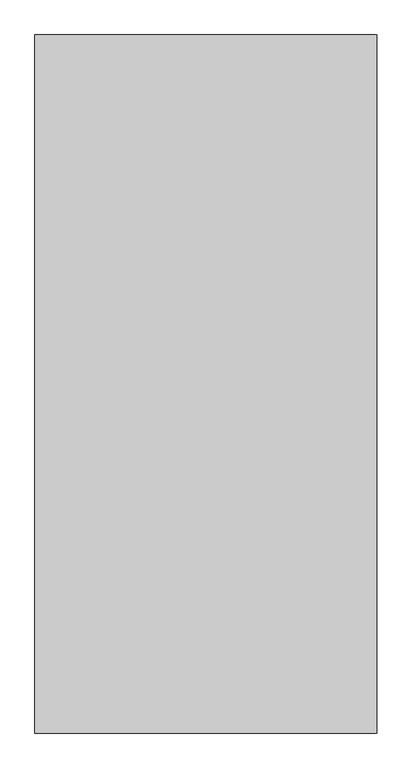
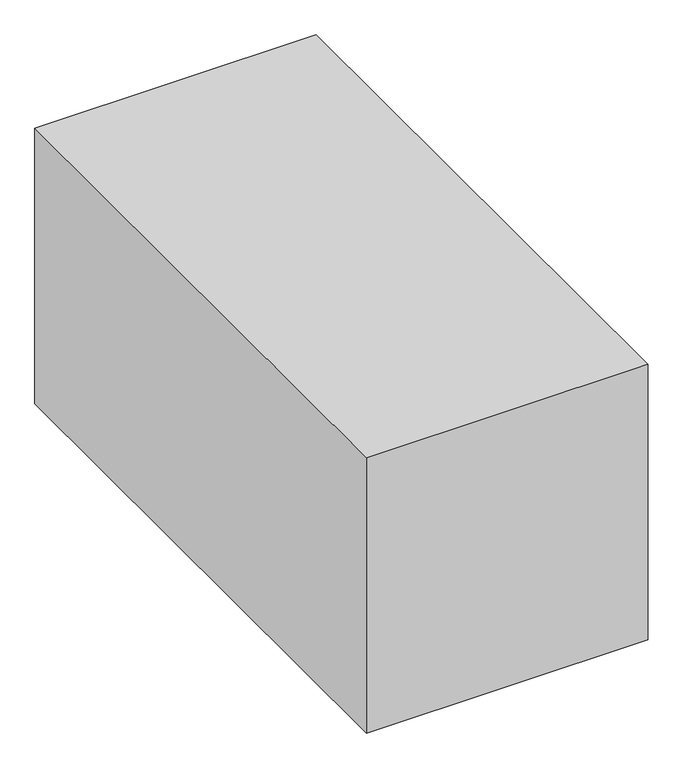
"""IFC4 building model written with IfcOpenShell, lengths in millimetres: proxy geometry."""

import ifcopenshell
import ifcopenshell.guid

model = None  # the IFC model being written
_history = None  # IfcOwnerHistory: only IFC2X3 demands one
_inside = {}  # id of a spatial element -> (the spatial element, [elements in it])
_under = {}  # id of a project, library or spatial element -> (it, [spatial elements below it])
_declared = {}  # id of a project -> (the project, [libraries it declares])
_typed = {}  # id of a type object -> (the type object, [elements of that type])
_made_of = {}  # id of a material, layer set ... -> (it, [elements and type objects made of it])


def new_model(schema):
    """Start an empty IFC model of exactly this schema.

    Asked for "IFC4X3", IfcOpenShell would pick the latest addendum, in which some entities
    have other attributes; the version numbers below select the first issue.
    IFC2X3 requires an IfcOwnerHistory on every rooted entity: one is made here for all.
    """
    global model, _history
    if schema == "IFC4X3":
        model = ifcopenshell.file(schema_version=(4, 3, 0, 0))
    else:
        model = ifcopenshell.file(schema=schema)
    _inside.clear()
    _under.clear()
    _declared.clear()
    _typed.clear()
    _made_of.clear()
    _history = None
    if model.schema == "IFC2X3":
        org = make("IfcOrganization", Name="unknown")
        user = make(
            "IfcPersonAndOrganization",
            ThePerson=make("IfcPerson", FamilyName="unknown"),
            TheOrganization=org,
        )
        app = make(
            "IfcApplication",
            ApplicationDeveloper=org,
            Version="unknown",
            ApplicationFullName="unknown",
            ApplicationIdentifier="unknown",
        )
        _history = make(
            "IfcOwnerHistory",
            OwningUser=user,
            OwningApplication=app,
            ChangeAction="ADDED",
            CreationDate=0,
        )
    return model


def make(cls, **values):
    """One entity of the class cls with the attributes given. An attribute that is None is left unset."""
    return model.create_entity(
        cls, **{name: value for name, value in values.items() if value is not None}
    )


def rooted(cls, **values):
    """An entity with a GlobalId (a new one), such as an element, a storey or a relation."""
    return make(cls, GlobalId=ifcopenshell.guid.new(), OwnerHistory=_history, **values)


def si_unit(unit_type, name, prefix=None):
    """IfcSIUnit, for example si_unit("LENGTHUNIT", "METRE", prefix="MILLI")."""
    return make("IfcSIUnit", UnitType=unit_type, Prefix=prefix, Name=name)


def assignment(units):
    """IfcUnitAssignment: the units of a project."""
    return None if units is None else make("IfcUnitAssignment", Units=units)


def point(xyz):
    """IfcCartesianPoint."""
    return None if xyz is None else make("IfcCartesianPoint", Coordinates=xyz)


def direction(xyz):
    """IfcDirection."""
    return None if xyz is None else make("IfcDirection", DirectionRatios=xyz)


def frame(location, z_axis=None, x_axis=None):
    """IfcAxis2Placement3D, a coordinate frame: its origin and axes. An axis left out is left unset."""
    return make(
        "IfcAxis2Placement3D",
        Location=point(location),
        Axis=direction(z_axis),
        RefDirection=direction(x_axis),
    )


def origin():
    """The frame at (0, 0, 0) with its axes left unset."""
    return frame((0.0, 0.0, 0.0))


def place(relative_to, where):
    """IfcLocalPlacement: puts the frame where relative to a parent placement (None: the world)."""
    return make(
        "IfcLocalPlacement", PlacementRelTo=relative_to, RelativePlacement=where
    )


def context(
    kind, dimensions, precision=None, world=None, true_north=None, identifier=None
):
    """IfcGeometricRepresentationContext, for example the 3D "Model" context."""
    return make(
        "IfcGeometricRepresentationContext",
        ContextIdentifier=identifier,
        ContextType=kind,
        CoordinateSpaceDimension=dimensions,
        Precision=precision,
        WorldCoordinateSystem=world,
        TrueNorth=true_north,
    )


def project(units=None, contexts=None):
    """IfcProject with its units and contexts."""
    return rooted(
        "IfcProject",
        Name="project",
        RepresentationContexts=contexts,
        UnitsInContext=assignment(units),
    )


def spatial(cls, under=None, at=None, **own):
    """A site, building, storey or space (cls), placed at a placement, below another one or the project."""
    s = rooted(cls, ObjectPlacement=at, **own)
    if under is not None:
        _under.setdefault(under.id(), (under, []))[1].append(s)
    return s


def polyline(points):
    """IfcPolyline through the points."""
    return make("IfcPolyline", Points=[point(p) for p in points])


def outline(outer, holes=None, kind="AREA"):
    """IfcArbitraryClosedProfileDef: a profile drawn as a closed curve; with holes, ...WithVoids."""
    if holes is None:
        return make("IfcArbitraryClosedProfileDef", ProfileType=kind, OuterCurve=outer)
    return make(
        "IfcArbitraryProfileDefWithVoids",
        ProfileType=kind,
        OuterCurve=outer,
        InnerCurves=holes,
    )


def extrude(swept, where, along, depth):
    """IfcExtrudedAreaSolid: the profile swept, set in the frame where, extruded along a direction by depth."""
    return make(
        "IfcExtrudedAreaSolid",
        SweptArea=swept,
        Position=where,
        ExtrudedDirection=direction(along),
        Depth=depth,
    )


def shape(context_of_items, identifier, shape_type, items):
    """IfcShapeRepresentation: the items that make up one representation, for example the "Body"."""
    return make(
        "IfcShapeRepresentation",
        ContextOfItems=context_of_items,
        RepresentationIdentifier=identifier,
        RepresentationType=shape_type,
        Items=items,
    )


def source(mapping_origin, context_of_items, identifier, shape_type, items):
    """IfcRepresentationMap: a shape defined once, which mapped items show again and again."""
    return make(
        "IfcRepresentationMap",
        MappingOrigin=mapping_origin,
        MappedRepresentation=shape(context_of_items, identifier, shape_type, items),
    )


def transform(
    local_origin,
    x_axis=None,
    y_axis=None,
    z_axis=None,
    scale=None,
    scale2=None,
    scale3=None,
    uniform=True,
):
    """IfcCartesianTransformationOperator3D, or its non-uniform kind. x_axis, y_axis, z_axis: its Axis1, 2, 3."""
    if uniform:
        return make(
            "IfcCartesianTransformationOperator3D",
            Axis1=direction(x_axis),
            Axis2=direction(y_axis),
            LocalOrigin=point(local_origin),
            Scale=scale,
            Axis3=direction(z_axis),
        )
    return make(
        "IfcCartesianTransformationOperator3DnonUniform",
        Axis1=direction(x_axis),
        Axis2=direction(y_axis),
        LocalOrigin=point(local_origin),
        Scale=scale,
        Axis3=direction(z_axis),
        Scale2=scale2,
        Scale3=scale3,
    )


def mapped(mapping_source, mapping_target):
    """IfcMappedItem: shows the shape of a source again, moved by a transform."""
    return make(
        "IfcMappedItem", MappingSource=mapping_source, MappingTarget=mapping_target
    )


def made_of(thing, what):
    """Note that an element or type object is made of a material, layer set ...; save() writes the relation."""
    if what is not None:
        _made_of.setdefault(what.id(), (what, []))[1].append(thing)
    return thing


def element(
    cls,
    number,
    at=None,
    inside=None,
    cuts=None,
    type_object=None,
    material=None,
    context=None,
    identifier="Body",
    shape_type=None,
    held_by="IfcProductDefinitionShape",
    body=None,
    shapes=None,
    **own,
):
    """One element of the class cls, such as IfcWall. Its Tag is "e" and its number.

    at: its placement. inside: the storey or other place that contains it. cuts: it is an
    opening in that element (IfcRelVoidsElement). A single representation is given by context,
    identifier, shape_type and body (its items); several are given by shapes. held_by: the class
    of the entity that holds the representations. save() writes the other relations.
    """
    e = rooted(cls, Tag="e%d" % number, ObjectPlacement=at, **own)
    if body is not None:
        shapes = [shape(context, identifier, shape_type, body)]
    if shapes is not None:
        e.Representation = make(held_by, Representations=shapes)
    if inside is not None:
        _inside.setdefault(inside.id(), (inside, []))[1].append(e)
    if cuts is not None:
        rooted(
            "IfcRelVoidsElement", RelatingBuildingElement=cuts, RelatedOpeningElement=e
        )
    if type_object is not None:
        _typed.setdefault(type_object.id(), (type_object, []))[1].append(e)
    return made_of(e, material)


def aggregate(whole, parts):
    """IfcRelAggregates: a whole, such as a stair, and the parts it consists of."""
    return rooted("IfcRelAggregates", RelatingObject=whole, RelatedObjects=parts)


def save(model, path):
    """Write the relations noted so far, then the file.

    IfcRelAggregates (storeys below a building ...), IfcRelContainedInSpatialStructure (elements
    in a storey), IfcRelDefinesByType, IfcRelAssociatesMaterial and IfcRelDeclares: one each for
    every whole, place, type object, material and project.
    """
    for whole, parts in _under.values():
        aggregate(whole, parts)
    for where, things in _inside.values():
        rooted(
            "IfcRelContainedInSpatialStructure",
            RelatedElements=things,
            RelatingStructure=where,
        )
    for kind, things in _typed.values():
        rooted("IfcRelDefinesByType", RelatedObjects=things, RelatingType=kind)
    for what, things in _made_of.values():
        rooted("IfcRelAssociatesMaterial", RelatedObjects=things, RelatingMaterial=what)
    for by, libraries in _declared.values():
        rooted("IfcRelDeclares", RelatingContext=by, RelatedDefinitions=libraries)
    model.write(path)


def generic_models_c7e0f95d(model_context):
    return source(origin(), model_context, "Body", "SweptSolid", [
        extrude(outline(polyline([(-9909.9588645, 17389.9468889), (-9909.9588645, 16389.9468889), (-10399.9588645, 16389.9468889), (-10399.9588645, 17389.9468889), (-9909.9588645, 17389.9468889)])), frame((0.0, 0.0, 9800.5523183), z_axis=(0.0, 0.0, 1.0), x_axis=(1.0, 0.0, 0.0)), (0.0, 0.0, 1.0), 506.7779722),
    ])


if __name__ == "__main__":
    model = new_model("IFC4")
    model_context = context("Model", 3, world=origin())
    ifc_project = project(units=[si_unit("LENGTHUNIT", "METRE", prefix="MILLI")], contexts=[model_context])
    site = spatial("IfcSite", under=ifc_project)
    building = spatial("IfcBuilding", under=site)
    placement = place(None, origin())
    generic_models_shape = generic_models_c7e0f95d(model_context)
    element("IfcBuildingElementProxy", 1, Name="Generic Models", at=placement, inside=building, context=model_context, shape_type="MappedRepresentation", body=[
        mapped(generic_models_shape, transform((0.0, 0.0, 0.0), x_axis=(1.0, 0.0, 0.0), y_axis=(0.0, 1.0, 0.0), z_axis=(0.0, 0.0, 1.0))),
    ])
    save(model, "model.ifc")
